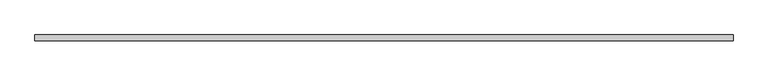
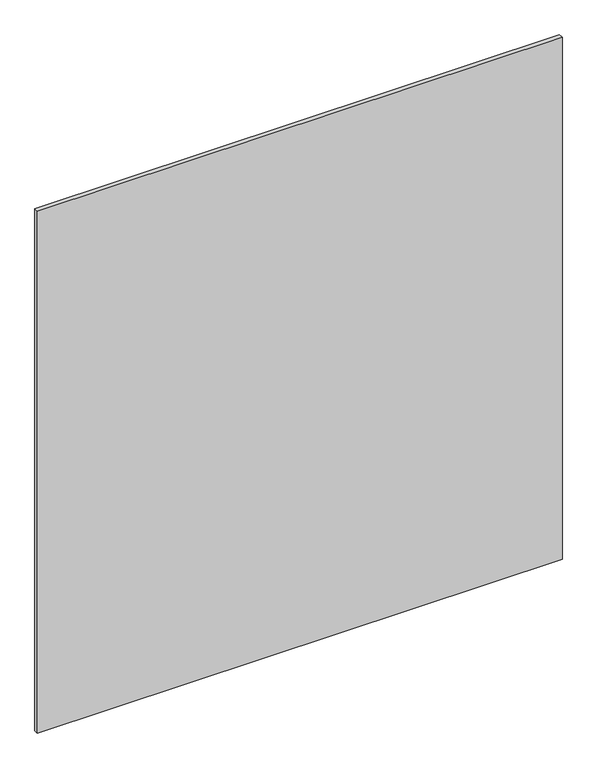
"""IFC4 building model written with IfcOpenShell, lengths in millimetres: plate geometry."""

from ifc_helpers import new_model, si_unit, origin, origin_with_axes, place, context, project, spatial, polyline, outline, extrude, source, transform, mapped, element, save


def plate_d3ba7752(model_context):
    return source(origin(), model_context, "Body", "SweptSolid", [
        extrude(outline(polyline([(616.6, 5.2), (616.6, -5.2), (-616.6, -5.2), (-616.6, 5.2), (616.6, 5.2)])), origin_with_axes(), (0.0, 0.0, 1.0), 1295.5),
    ])


if __name__ == "__main__":
    model = new_model("IFC4")
    model_context = context("Model", 3, world=origin())
    ifc_project = project(units=[si_unit("LENGTHUNIT", "METRE", prefix="MILLI")], contexts=[model_context])
    site = spatial("IfcSite", under=ifc_project)
    building = spatial("IfcBuilding", under=site)
    placement = place(None, origin())
    plate_shape = plate_d3ba7752(model_context)
    element("IfcPlate", 1, at=placement, inside=building, context=model_context, shape_type="MappedRepresentation", body=[
        mapped(plate_shape, transform((0.0, 0.0, 0.0), x_axis=(1.0, 0.0, 0.0), y_axis=(0.0, 1.0, 0.0), z_axis=(0.0, 0.0, 1.0))),
    ])
    save(model, "model.ifc")
